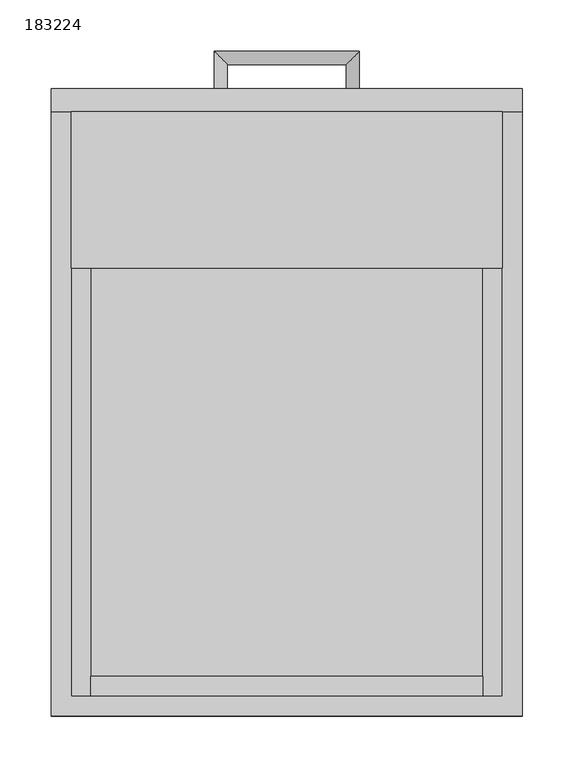
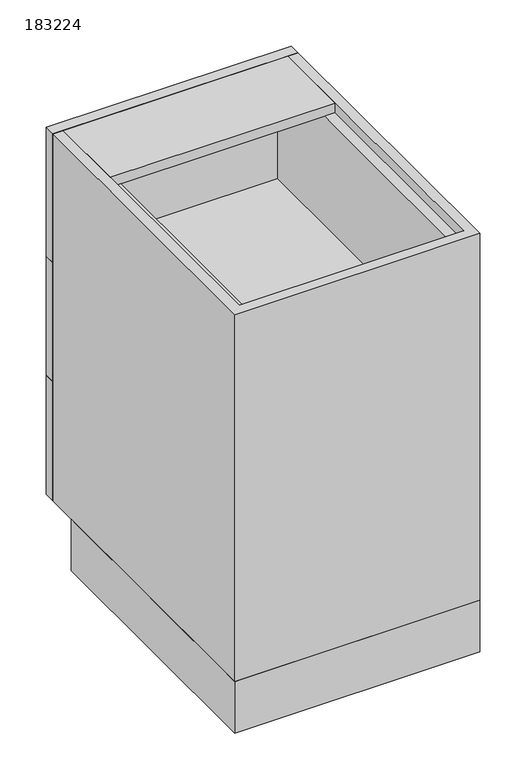
"""IFC4 building model written with IfcOpenShell, lengths in millimetres: furniture geometry, 183224."""

from ifc_helpers import new_model, si_unit, frame, origin, origin_with_axes, place, context, project, spatial, polyline, circle_curve, ellipse_curve, outline, extrude, source, transform, mapped, element, save
from ifc_brep_helpers import plane_surface, cylinder_surface, advanced_brep


def furniture_183224_1b0c184a(model_context):
    return source(origin(), model_context, "Body", "SolidModel", [
        extrude(outline(polyline([(-209.8622951, 0.0), (-209.8622951, 528.6), (247.3377049, 528.6), (247.3377049, 0.0), (-209.8622951, 0.0)]), holes=[polyline([(-190.6622951, 509.4), (-190.6622951, 19.2), (228.1377049, 19.2), (228.1377049, 509.4), (-190.6622951, 509.4)])]), origin_with_axes(), (0.0, 0.0, 1.0), 101.5996875),
        extrude(outline(polyline([(208.9377049, 19.2), (-171.4622951, 19.2), (-171.4622951, 38.4), (208.9377049, 38.4), (208.9377049, 19.2)])), frame((0.0, 0.0, 590.5998958), z_axis=(0.0, 0.0, 1.0), x_axis=(1.0, 0.0, 0.0)), (0.0, 0.0, 1.0), 215.7001042),
        extrude(outline(polyline([(208.9377049, 19.2), (-171.4622951, 19.2), (-171.4622951, 38.4), (208.9377049, 38.4), (208.9377049, 19.2)])), frame((0.0, 0.0, 355.6997917), z_axis=(0.0, 0.0, 1.0), x_axis=(1.0, 0.0, 0.0)), (0.0, 0.0, 1.0), 215.7001042),
        extrude(outline(polyline([(208.9377049, 19.2), (-171.4622951, 19.2), (-171.4622951, 38.4), (208.9377049, 38.4), (208.9377049, 19.2)])), frame((0.0, 0.0, 120.7996875), z_axis=(0.0, 0.0, 1.0), x_axis=(1.0, 0.0, 0.0)), (0.0, 0.0, 1.0), 215.7001042),
        extrude(outline(polyline([(806.3, -190.6622951), (571.3998958, -190.6622951), (571.3998958, 228.1377049), (806.3, 228.1377049), (806.3, 208.9377049), (590.5998958, 208.9377049), (590.5998958, -171.4622951), (806.3, -171.4622951), (806.3, -190.6622951)])), frame((0.0, 19.2, 0.0), z_axis=(0.0, 1.0, 0.0), x_axis=(0.0, 0.0, 1.0)), (0.0, 0.0, 1.0), 568.4),
        extrude(outline(polyline([(571.3998958, -190.6622951), (336.4997917, -190.6622951), (336.4997917, 228.1377049), (571.3998958, 228.1377049), (571.3998958, 208.9377049), (355.6997917, 208.9377049), (355.6997917, -171.4622951), (571.3998958, -171.4622951), (571.3998958, -190.6622951)])), frame((0.0, 19.2, 0.0), z_axis=(0.0, 1.0, 0.0), x_axis=(0.0, 0.0, 1.0)), (0.0, 0.0, 1.0), 568.4),
        extrude(outline(polyline([(336.4997917, -190.6622951), (101.5996875, -190.6622951), (101.5996875, 228.1377049), (336.4997917, 228.1377049), (336.4997917, 208.9377049), (120.7996875, 208.9377049), (120.7996875, -171.4622951), (336.4997917, -171.4622951), (336.4997917, -190.6622951)])), frame((0.0, 19.2, 0.0), z_axis=(0.0, 1.0, 0.0), x_axis=(0.0, 0.0, 1.0)), (0.0, 0.0, 1.0), 568.4),
        extrude(outline(polyline([(228.1377049, 435.2), (-190.6622951, 435.2), (-190.6622951, 587.6), (228.1377049, 587.6), (228.1377049, 435.2)])), frame((0.0, 0.0, 806.3), z_axis=(0.0, 0.0, 1.0), x_axis=(1.0, 0.0, 0.0)), (0.0, 0.0, 1.0), 19.2),
        extrude(outline(polyline([(-209.8622951, 609.6), (247.3377049, 609.6), (247.3377049, 587.6), (-209.8622951, 587.6), (-209.8622951, 609.6)])), frame((0.0, 0.0, 571.3998958), z_axis=(0.0, 0.0, 1.0), x_axis=(1.0, 0.0, 0.0)), (0.0, 0.0, 1.0), 254.1001042),
        advanced_brep(
        [(-51.6122951, 609.6, 688.8499479), (-38.9122951, 609.6, 688.8499479), (-38.9122951, 633.25, 688.8499479), (-51.6122951, 645.95, 688.8499479), (76.3877049, 633.25, 688.8499479), (89.0877049, 645.95, 688.8499479), (89.0877049, 609.6, 688.8499479), (76.3877049, 609.6, 688.8499479)],
        [
            (0, 1, circle_curve(frame((-45.2622951, 609.6, 688.8499479), z_axis=(0.0, -1.0, 0.0), x_axis=(1.0, 0.0, 0.0)), 6.35)),
            (1, 0, circle_curve(frame((-45.2622951, 609.6, 688.8499479), z_axis=(0.0, -1.0, 0.0), x_axis=(1.0, 0.0, 0.0)), 6.35)),
            (1, 2),
            (2, 3, ellipse_curve(frame((-45.2622951, 639.6, 688.8499479), z_axis=(-0.7071067811865475, -0.7071067811865475, 0.0), x_axis=(0.7071067811865474, -0.7071067811865476, 0.0)), 8.9802561, 6.35)),
            (3, 0),
            (3, 2, ellipse_curve(frame((-45.2622951, 639.6, 688.8499479), z_axis=(-0.7071067811865475, -0.7071067811865475, 0.0), x_axis=(0.7071067811865474, -0.7071067811865476, 0.0)), 8.9802561, 6.35)),
            (2, 4),
            (4, 5, ellipse_curve(frame((82.7377049, 639.6, 688.8499479), z_axis=(-0.7071067811865475, 0.7071067811865475, 0.0), x_axis=(-0.7071067811865476, -0.7071067811865474, 0.0)), 8.9802561, 6.35)),
            (5, 3),
            (5, 4, ellipse_curve(frame((82.7377049, 639.6, 688.8499479), z_axis=(-0.7071067811865475, 0.7071067811865475, 0.0), x_axis=(-0.7071067811865476, -0.7071067811865474, 0.0)), 8.9802561, 6.35)),
            (6, 7, circle_curve(frame((82.7377049, 609.6, 688.8499479), z_axis=(0.0, -1.0, 0.0), x_axis=(-1.0, 0.0, 0.0)), 6.35)),
            (7, 6, circle_curve(frame((82.7377049, 609.6, 688.8499479), z_axis=(0.0, -1.0, 0.0), x_axis=(-1.0, 0.0, 0.0)), 6.35)),
            (4, 7),
            (6, 5),
        ],
        [
            plane_surface(frame((-45.2622951, 609.6, 688.8499479), z_axis=(0.0, -1.0, 0.0), x_axis=(0.0, 0.0, 1.0))),
            cylinder_surface(frame((-45.2622951, 609.6, 688.8499479), z_axis=(0.0, -1.0, 0.0), x_axis=(1.0, 0.0, 0.0)), 6.35),
            cylinder_surface(frame((-45.2622951, 639.6, 688.8499479), z_axis=(-1.0, 0.0, 0.0), x_axis=(0.0, -1.0, 0.0)), 6.35),
            plane_surface(frame((82.7377049, 609.6, 688.8499479), z_axis=(0.0, -1.0, 0.0), x_axis=(0.0, 0.0, 1.0))),
            cylinder_surface(frame((82.7377049, 639.6, 688.8499479), z_axis=(0.0, 1.0, 0.0), x_axis=(-1.0, 0.0, 0.0)), 6.35),
        ],
        [
            (0, [[1, 2]]),
            (1, [[3, 4, 5, -2]]),
            (1, [[-5, 6, -3, -1]]),
            (2, [[7, 8, 9, -4]]),
            (2, [[-9, 10, -7, -6]]),
            (3, [[11, 12]]),
            (4, [[13, -11, 14, -8]]),
            (4, [[-14, -12, -13, -10]]),
        ],
    ),
        advanced_brep(
        [(76.3877049, 609.6, 219.0497396), (89.0877049, 609.6, 219.0497396), (89.0877049, 645.95, 219.0497396), (76.3877049, 633.25, 219.0497396), (-51.6122951, 645.95, 219.0497396), (-38.9122951, 633.25, 219.0497396), (-38.9122951, 609.6, 219.0497396), (-51.6122951, 609.6, 219.0497396)],
        [
            (0, 1, circle_curve(frame((82.7377049, 609.6, 219.0497396), z_axis=(0.0, -1.0, 0.0), x_axis=(1.0, 0.0, 0.0)), 6.35)),
            (1, 0, circle_curve(frame((82.7377049, 609.6, 219.0497396), z_axis=(0.0, -1.0, 0.0), x_axis=(1.0, 0.0, 0.0)), 6.35)),
            (1, 2),
            (2, 3, ellipse_curve(frame((82.7377049, 639.6, 219.0497396), z_axis=(0.7071067811865475, -0.7071067811865475, 0.0), x_axis=(-0.7071067811865474, -0.7071067811865476, 0.0)), 8.9802561, 6.35)),
            (3, 0),
            (3, 2, ellipse_curve(frame((82.7377049, 639.6, 219.0497396), z_axis=(0.7071067811865475, -0.7071067811865475, 0.0), x_axis=(-0.7071067811865474, -0.7071067811865476, 0.0)), 8.9802561, 6.35)),
            (2, 4),
            (4, 5, ellipse_curve(frame((-45.2622951, 639.6, 219.0497396), z_axis=(0.7071067811865475, 0.7071067811865475, 0.0), x_axis=(0.7071067811865476, -0.7071067811865474, 0.0)), 8.9802561, 6.35)),
            (5, 3),
            (5, 4, ellipse_curve(frame((-45.2622951, 639.6, 219.0497396), z_axis=(0.7071067811865475, 0.7071067811865475, 0.0), x_axis=(0.7071067811865476, -0.7071067811865474, 0.0)), 8.9802561, 6.35)),
            (6, 7, circle_curve(frame((-45.2622951, 609.6, 219.0497396), z_axis=(0.0, -1.0, 0.0), x_axis=(-1.0, 0.0, 0.0)), 6.35)),
            (7, 6, circle_curve(frame((-45.2622951, 609.6, 219.0497396), z_axis=(0.0, -1.0, 0.0), x_axis=(-1.0, 0.0, 0.0)), 6.35)),
            (4, 7),
            (6, 5),
        ],
        [
            plane_surface(frame((82.7377049, 609.6, 219.0497396), z_axis=(0.0, -1.0, 0.0), x_axis=(0.0, 0.0, 1.0))),
            cylinder_surface(frame((82.7377049, 609.6, 219.0497396), z_axis=(0.0, -1.0, 0.0), x_axis=(1.0, 0.0, 0.0)), 6.35),
            cylinder_surface(frame((82.7377049, 639.6, 219.0497396), z_axis=(1.0, 0.0, 0.0), x_axis=(0.0, 1.0, 0.0)), 6.35),
            plane_surface(frame((-45.2622951, 609.6, 219.0497396), z_axis=(0.0, -1.0, 0.0), x_axis=(0.0, 0.0, 1.0))),
            cylinder_surface(frame((-45.2622951, 639.6, 219.0497396), z_axis=(0.0, 1.0, 0.0), x_axis=(-1.0, 0.0, 0.0)), 6.35),
        ],
        [
            (0, [[1, 2]]),
            (1, [[3, 4, 5, -2]]),
            (1, [[-5, 6, -3, -1]]),
            (2, [[7, 8, 9, -4]]),
            (2, [[-9, 10, -7, -6]]),
            (3, [[11, 12]]),
            (4, [[13, -11, 14, -8]]),
            (4, [[-14, -12, -13, -10]]),
        ],
    ),
        extrude(outline(polyline([(247.3377049, 587.6), (-209.8622951, 587.6), (-209.8622951, 609.6), (247.3377049, 609.6), (247.3377049, 587.6)])), frame((0.0, 0.0, 101.5996875), z_axis=(0.0, 0.0, 1.0), x_axis=(1.0, 0.0, 0.0)), (0.0, 0.0, 1.0), 234.9001042),
        advanced_brep(
        [(-51.6122951, 609.6, 453.9498437), (-38.9122951, 609.6, 453.9498437), (-38.9122951, 633.25, 453.9498437), (-51.6122951, 645.95, 453.9498437), (76.3877049, 633.25, 453.9498437), (89.0877049, 645.95, 453.9498437), (89.0877049, 609.6, 453.9498437), (76.3877049, 609.6, 453.9498437)],
        [
            (0, 1, circle_curve(frame((-45.2622951, 609.6, 453.9498437), z_axis=(0.0, -1.0, 0.0), x_axis=(1.0, 0.0, 0.0)), 6.35)),
            (1, 0, circle_curve(frame((-45.2622951, 609.6, 453.9498437), z_axis=(0.0, -1.0, 0.0), x_axis=(1.0, 0.0, 0.0)), 6.35)),
            (1, 2),
            (2, 3, ellipse_curve(frame((-45.2622951, 639.6, 453.9498437), z_axis=(-0.7071067811865475, -0.7071067811865475, 0.0), x_axis=(0.7071067811865474, -0.7071067811865476, 0.0)), 8.9802561, 6.35)),
            (3, 0),
            (3, 2, ellipse_curve(frame((-45.2622951, 639.6, 453.9498437), z_axis=(-0.7071067811865475, -0.7071067811865475, 0.0), x_axis=(0.7071067811865474, -0.7071067811865476, 0.0)), 8.9802561, 6.35)),
            (2, 4),
            (4, 5, ellipse_curve(frame((82.7377049, 639.6, 453.9498437), z_axis=(-0.7071067811865475, 0.7071067811865475, 0.0), x_axis=(-0.7071067811865476, -0.7071067811865474, 0.0)), 8.9802561, 6.35)),
            (5, 3),
            (5, 4, ellipse_curve(frame((82.7377049, 639.6, 453.9498437), z_axis=(-0.7071067811865475, 0.7071067811865475, 0.0), x_axis=(-0.7071067811865476, -0.7071067811865474, 0.0)), 8.9802561, 6.35)),
            (6, 7, circle_curve(frame((82.7377049, 609.6, 453.9498437), z_axis=(0.0, -1.0, 0.0), x_axis=(-1.0, 0.0, 0.0)), 6.35)),
            (7, 6, circle_curve(frame((82.7377049, 609.6, 453.9498437), z_axis=(0.0, -1.0, 0.0), x_axis=(-1.0, 0.0, 0.0)), 6.35)),
            (4, 7),
            (6, 5),
        ],
        [
            plane_surface(frame((-45.2622951, 609.6, 453.9498437), z_axis=(0.0, -1.0, 0.0), x_axis=(0.0, 0.0, 1.0))),
            cylinder_surface(frame((-45.2622951, 609.6, 453.9498437), z_axis=(0.0, -1.0, 0.0), x_axis=(1.0, 0.0, 0.0)), 6.35),
            cylinder_surface(frame((-45.2622951, 639.6, 453.9498437), z_axis=(-1.0, 0.0, 0.0), x_axis=(0.0, -1.0, 0.0)), 6.35),
            plane_surface(frame((82.7377049, 609.6, 453.9498437), z_axis=(0.0, -1.0, 0.0), x_axis=(0.0, 0.0, 1.0))),
            cylinder_surface(frame((82.7377049, 639.6, 453.9498437), z_axis=(0.0, 1.0, 0.0), x_axis=(-1.0, 0.0, 0.0)), 6.35),
        ],
        [
            (0, [[1, 2]]),
            (1, [[3, 4, 5, -2]]),
            (1, [[-5, 6, -3, -1]]),
            (2, [[7, 8, 9, -4]]),
            (2, [[-9, 10, -7, -6]]),
            (3, [[11, 12]]),
            (4, [[13, -11, 14, -8]]),
            (4, [[-14, -12, -13, -10]]),
        ],
    ),
        extrude(outline(polyline([(-209.8622951, 609.6), (247.3377049, 609.6), (247.3377049, 587.6), (-209.8622951, 587.6), (-209.8622951, 609.6)])), frame((0.0, 0.0, 336.4997917), z_axis=(0.0, 0.0, 1.0), x_axis=(1.0, 0.0, 0.0)), (0.0, 0.0, 1.0), 234.9001042),
        extrude(outline(polyline([(247.3377049, 587.6), (247.3377049, 0.0), (-209.8622951, 0.0), (-209.8622951, 587.6), (-190.6622951, 587.6), (-190.6622951, 19.2), (228.1377049, 19.2), (228.1377049, 587.6), (247.3377049, 587.6)])), frame((0.0, 0.0, 101.5996875), z_axis=(0.0, 0.0, 1.0), x_axis=(1.0, 0.0, 0.0)), (0.0, 0.0, 1.0), 723.9003125),
    ])


if __name__ == "__main__":
    model = new_model("IFC4")
    model_context = context("Model", 3, world=origin())
    ifc_project = project(units=[si_unit("LENGTHUNIT", "METRE", prefix="MILLI")], contexts=[model_context])
    site = spatial("IfcSite", under=ifc_project)
    building = spatial("IfcBuilding", under=site)
    placement = place(None, origin())
    furniture_183224_shape = furniture_183224_1b0c184a(model_context)
    element("IfcFurniture", 1, ObjectType="183224", at=placement, inside=building, context=model_context, shape_type="MappedRepresentation", body=[
        mapped(furniture_183224_shape, transform((0.0, 0.0, 0.0), x_axis=(1.0, 0.0, 0.0), y_axis=(0.0, 1.0, 0.0), z_axis=(0.0, 0.0, 1.0))),
    ])
    save(model, "model.ifc")
